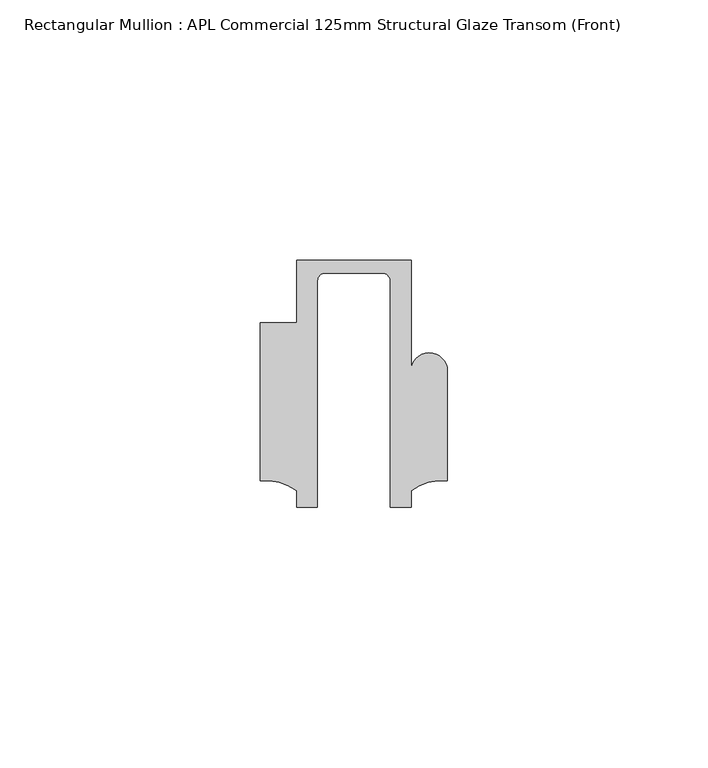
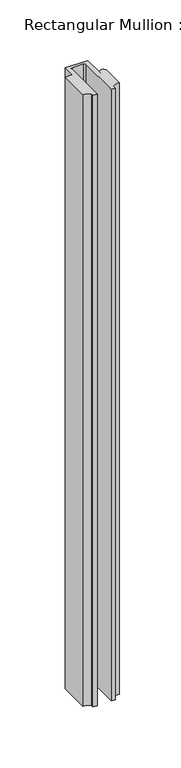
"""IFC4 building model written with IfcOpenShell, lengths in millimetres: member geometry, Rectangular Mullion : APL Commercial 125mm Structural Glaze Transom (Front)."""

from ifc_helpers import new_model, si_unit, frame, origin, place, context, project, spatial, polyline, circle_curve, source, transform, mapped, element, save
from ifc_brep_helpers import plane_surface, cylinder_surface, revolved_surface, advanced_brep


def rectangular_mullion_apl_commercial_125mm_structural_glaze_68d5a7a1(model_context):
    return source(origin(), model_context, "Body", "AdvancedBrep", [
        advanced_brep(
        [(-11.0000151, 27.0, 0.0), (-11.0000151, 15.0006281, 0.0), (-17.9999542, 15.0006281, 0.0), (-17.9999542, -15.3797475, 0.0), (-10.9999994, -17.3125325, 0.0), (-10.9999994, -20.5, 0.0), (-6.9999853, -20.5, 0.0), (-6.9999853, 22.9976091, 0.0), (-5.4999873, 24.5, 0.0), (5.4999872, 24.5, 0.0), (6.9999849, 22.9973451, 0.0), (6.9999849, -20.5, 0.0), (11.0000151, -20.5, 0.0), (11.0000151, -17.3125212, 0.0), (17.9999542, -15.3797475, 0.0), (17.9999542, 5.684606, 0.0), (11.001071, 5.5848769, 0.0), (11.001071, 27.0, 0.0), (-11.0000151, 27.0, -641.1423736), (11.001071, 27.0, -641.1423736), (11.001071, 5.5848769, -641.1423736), (17.9999091, 5.6750512, -641.1423736), (17.9999542, -15.3797475, -641.1423736), (11.0000151, -17.3125212, -641.1423736), (11.0000151, -20.5, -641.1423736), (6.9999849, -20.5, -641.1423736), (6.9999849, 22.9973451, -641.1423736), (5.4999872, 24.5, -641.1423736), (-5.4999873, 24.5, -641.1423736), (-6.9999853, 22.9976091, -641.1423736), (-6.9999853, -20.5, -641.1423736), (-10.9999994, -20.5, -641.1423736), (-10.9999994, -17.3125325, -641.1423736), (-17.9999542, -15.3797475, -641.1423736), (-17.9999542, 15.0006281, -641.1423736), (-11.0000151, 15.0006281, -641.1423736)],
        [
            (0, 1),
            (1, 2),
            (2, 3),
            (3, 4, circle_curve(frame((-17.109817, -25.7981812, 0.0), z_axis=(0.0, 0.0, -1.0), x_axis=(0.0, 1.0, 0.0)), 10.4563907)),
            (4, 5),
            (5, 6),
            (6, 7),
            (7, 8, circle_curve(frame((-5.4999873, 23.0, 0.0), z_axis=(0.0, 0.0, -1.0), x_axis=(2.7320010112268853e-08, 0.9999999999999997, 0.0)), 1.5)),
            (8, 9),
            (9, 10, circle_curve(frame((5.4999872, 23.0, 0.0), z_axis=(0.0, 0.0, -1.0), x_axis=(0.9999999999999986, -5.463622857820516e-08, 0.0)), 1.5)),
            (10, 11),
            (11, 12),
            (12, 13),
            (13, 14, circle_curve(frame((17.109817, -25.7981812, 0.0), z_axis=(0.0, 0.0, -1.0), x_axis=(0.0, 1.0, 0.0)), 10.4563907)),
            (14, 15),
            (15, 16, circle_curve(frame((14.4999091, 5.6750512, 0.0), z_axis=(0.0, 0.0, 1.0), x_axis=(-0.9999826028573957, -0.005898642432633649, 0.0)), 3.5)),
            (16, 17),
            (17, 0),
            (18, 19),
            (19, 20),
            (20, 21, circle_curve(frame((14.4999091, 5.6750512, -641.1423736), z_axis=(0.0, 0.0, -1.0), x_axis=(-0.9999826028573957, -0.005898642432633649, 0.0)), 3.5)),
            (21, 22),
            (22, 23, circle_curve(frame((17.109817, -25.7981812, -641.1423736), z_axis=(0.0, 0.0, 1.0), x_axis=(0.0, 1.0, 0.0)), 10.4563907)),
            (23, 24),
            (24, 25),
            (25, 26),
            (26, 27, circle_curve(frame((5.4999872, 23.0, -641.1423736), z_axis=(0.0, 0.0, 1.0), x_axis=(0.9999999999999986, -5.463622857820516e-08, 0.0)), 1.5)),
            (27, 28),
            (28, 29, circle_curve(frame((-5.4999873, 23.0, -641.1423736), z_axis=(0.0, 0.0, 1.0), x_axis=(2.7320010112268853e-08, 0.9999999999999997, 0.0)), 1.5)),
            (29, 30),
            (30, 31),
            (31, 32),
            (32, 33, circle_curve(frame((-17.109817, -25.7981812, -641.1423736), z_axis=(0.0, 0.0, 1.0), x_axis=(0.0, 1.0, 0.0)), 10.4563907)),
            (33, 34),
            (34, 35),
            (35, 18),
            (0, 18),
            (35, 1),
            (34, 2),
            (33, 3),
            (32, 4),
            (31, 5),
            (30, 6),
            (29, 7),
            (28, 8),
            (27, 9),
            (26, 10),
            (25, 11),
            (24, 12),
            (23, 13),
            (22, 14),
            (21, 15),
            (20, 16),
            (19, 17),
        ],
        [
            plane_surface(frame((0.0, -29.1551636, 0.0), z_axis=(0.0, 0.0, 1.0), x_axis=(-1.0, 0.0, 0.0))),
            plane_surface(frame((0.0, -29.1551636, -641.1423736), z_axis=(0.0, 0.0, -1.0), x_axis=(-1.0, 0.0, 0.0))),
            plane_surface(frame((-11.0000151, 27.0, 0.0), z_axis=(-1.0, 0.0, 0.0), x_axis=(0.0, 0.0, -1.0))),
            plane_surface(frame((-11.0000151, 15.0006281, 0.0), z_axis=(0.0, 1.0, 0.0), x_axis=(0.0, 0.0, -1.0))),
            plane_surface(frame((-17.9999542, 15.0006281, 0.0), z_axis=(-1.0, 0.0, 0.0), x_axis=(0.0, 0.0, -1.0))),
            revolved_surface(polyline([(-17.109817, -15.341790499999998, -641.1423736), (-17.109817, -15.341790499999998, 0.0)]), (-17.109817, -25.7981812, 0.0), (0.0, 0.0, -1.0)),
            plane_surface(frame((-10.9999994, -17.3125325, 0.0), z_axis=(-1.0, 0.0, 0.0), x_axis=(0.0, 0.0, -1.0))),
            plane_surface(frame((-10.9999994, -20.5, 0.0), z_axis=(0.0, -1.0, 0.0), x_axis=(0.0, 0.0, -1.0))),
            plane_surface(frame((-6.9999853, -20.5, 0.0), z_axis=(1.0, 0.0, 0.0), x_axis=(0.0, 0.0, -1.0))),
            revolved_surface(polyline([(-5.499987259019985, 24.5, -641.1423736), (-5.499987259019985, 24.5, 0.0)]), (-5.4999873, 23.0, 0.0), (0.0, 0.0, -1.0)),
            plane_surface(frame((-5.4999873, 24.5, 0.0), z_axis=(0.0, -1.0, 0.0), x_axis=(0.0, 0.0, -1.0))),
            revolved_surface(polyline([(6.999987199999998, 22.999999918045656, -641.1423736), (6.999987199999998, 22.999999918045656, 0.0)]), (5.4999872, 23.0, 0.0), (0.0, 0.0, -1.0)),
            plane_surface(frame((6.9999849, 22.9973451, 0.0), z_axis=(-1.0, 0.0, 0.0), x_axis=(0.0, 0.0, -1.0))),
            plane_surface(frame((6.9999849, -20.5, 0.0), z_axis=(0.0, -1.0, 0.0), x_axis=(0.0, 0.0, -1.0))),
            plane_surface(frame((11.0000151, -20.5, 0.0), z_axis=(1.0, 0.0, 0.0), x_axis=(0.0, 0.0, -1.0))),
            revolved_surface(polyline([(17.109817, -15.341790499999998, -641.1423736), (17.109817, -15.341790499999998, 0.0)]), (17.109817, -25.7981812, 0.0), (0.0, 0.0, -1.0)),
            plane_surface(frame((17.9999542, -15.3797475, 0.0), z_axis=(1.0, 0.0, 0.0), x_axis=(0.0, 0.0, -1.0))),
            cylinder_surface(frame((14.4999091, 5.6750512, 0.0), z_axis=(0.0, 0.0, 1.0), x_axis=(-0.9999826028573957, -0.005898642432633649, 0.0)), 3.5),
            plane_surface(frame((11.001071, 5.5848769, 0.0), z_axis=(1.0, 0.0, 0.0), x_axis=(0.0, 0.0, -1.0))),
            plane_surface(frame((11.001071, 27.0, 0.0), z_axis=(0.0, 1.0, 0.0), x_axis=(0.0, 0.0, -1.0))),
        ],
        [
            (0, [[1, 2, 3, 4, 5, 6, 7, 8, 9, 10, 11, 12, 13, 14, 15, 16, 17, 18]]),
            (1, [[19, 20, 21, 22, 23, 24, 25, 26, 27, 28, 29, 30, 31, 32, 33, 34, 35, 36]]),
            (2, [[-1, 37, -36, 38]]),
            (3, [[-2, -38, -35, 39]]),
            (4, [[-3, -39, -34, 40]]),
            (5, [[-4, -40, -33, 41]]),
            (6, [[-5, -41, -32, 42]]),
            (7, [[-6, -42, -31, 43]]),
            (8, [[-7, -43, -30, 44]]),
            (9, [[-8, -44, -29, 45]]),
            (10, [[-9, -45, -28, 46]]),
            (11, [[-10, -46, -27, 47]]),
            (12, [[-11, -47, -26, 48]]),
            (13, [[-12, -48, -25, 49]]),
            (14, [[-13, -49, -24, 50]]),
            (15, [[-14, -50, -23, 51]]),
            (16, [[-15, -51, -22, 52]]),
            (17, [[-16, -52, -21, 53]]),
            (18, [[-17, -53, -20, 54]]),
            (19, [[-18, -54, -19, -37]]),
        ],
    ),
    ])


if __name__ == "__main__":
    model = new_model("IFC4")
    model_context = context("Model", 3, world=origin())
    ifc_project = project(units=[si_unit("LENGTHUNIT", "METRE", prefix="MILLI")], contexts=[model_context])
    site = spatial("IfcSite", under=ifc_project)
    building = spatial("IfcBuilding", under=site)
    placement = place(None, origin())
    rectangular_mullion_apl_commercial_125mm_structural_glaze_shape = rectangular_mullion_apl_commercial_125mm_structural_glaze_68d5a7a1(model_context)
    element("IfcMember", 1, ObjectType="Rectangular Mullion : APL Commercial 125mm Structural Glaze Transom (Front)", at=placement, inside=building, context=model_context, shape_type="MappedRepresentation", body=[
        mapped(rectangular_mullion_apl_commercial_125mm_structural_glaze_shape, transform((0.0, 0.0, 0.0), x_axis=(1.0, 0.0, 0.0), y_axis=(0.0, 1.0, 0.0), z_axis=(0.0, 0.0, 1.0))),
    ])
    save(model, "model.ifc")
